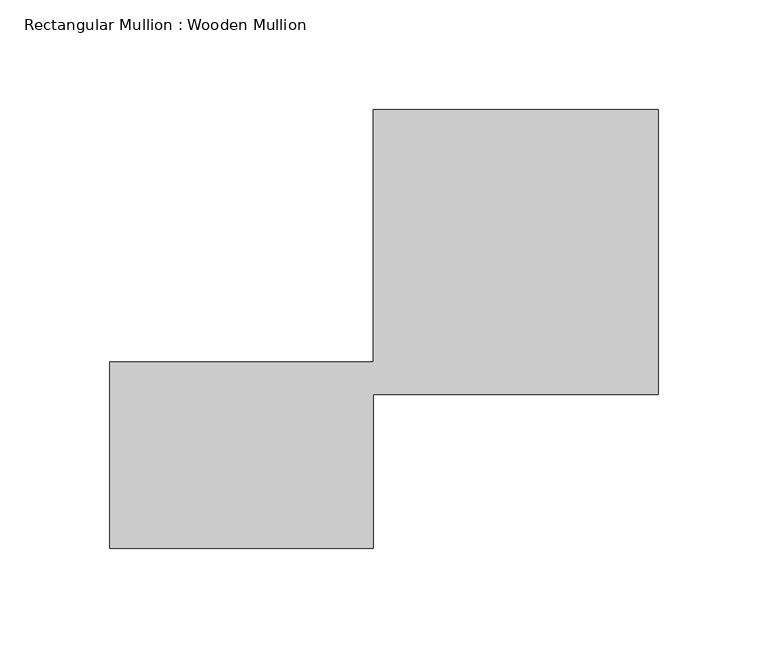
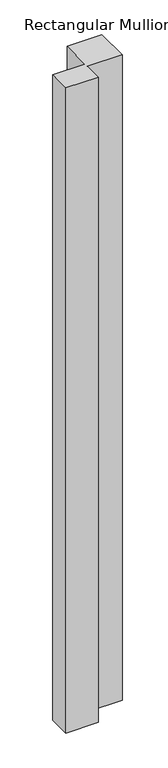
"""IFC4 building model written with IfcOpenShell, lengths in millimetres: member geometry, Rectangular Mullion : Wooden Mullion."""

from ifc_helpers import new_model, si_unit, frame, origin, place, context, project, spatial, polyline, outline, extrude, source, transform, mapped, element, save


def rectangular_mullion_wooden_mullion_bb8a9a07(model_context):
    return source(origin(), model_context, "Body", "SweptSolid", [
        extrude(outline(polyline([(74.8100006, -26.0137344), (-45.1899994, -26.0137344), (-45.1899994, 58.9862656), (74.8100006, 58.9862656), (74.8100006, 173.9862656), (204.8100006, 173.9862656), (204.8100006, 43.9862656), (74.8100006, 43.9862656), (74.8100006, -26.0137344)])), frame((0.0, 0.0, -2543.0071531), z_axis=(0.0, 0.0, 1.0), x_axis=(1.0, 0.0, 0.0)), (0.0, 0.0, 1.0), 2543.0071531),
    ])


if __name__ == "__main__":
    model = new_model("IFC4")
    model_context = context("Model", 3, world=origin())
    ifc_project = project(units=[si_unit("LENGTHUNIT", "METRE", prefix="MILLI")], contexts=[model_context])
    site = spatial("IfcSite", under=ifc_project)
    building = spatial("IfcBuilding", under=site)
    placement = place(None, origin())
    rectangular_mullion_wooden_mullion_shape = rectangular_mullion_wooden_mullion_bb8a9a07(model_context)
    element("IfcMember", 1, ObjectType="Rectangular Mullion : Wooden Mullion", at=placement, inside=building, context=model_context, shape_type="MappedRepresentation", body=[
        mapped(rectangular_mullion_wooden_mullion_shape, transform((0.0, 0.0, 0.0), x_axis=(1.0, 0.0, 0.0), y_axis=(0.0, 1.0, 0.0), z_axis=(0.0, 0.0, 1.0))),
    ])
    save(model, "model.ifc")
